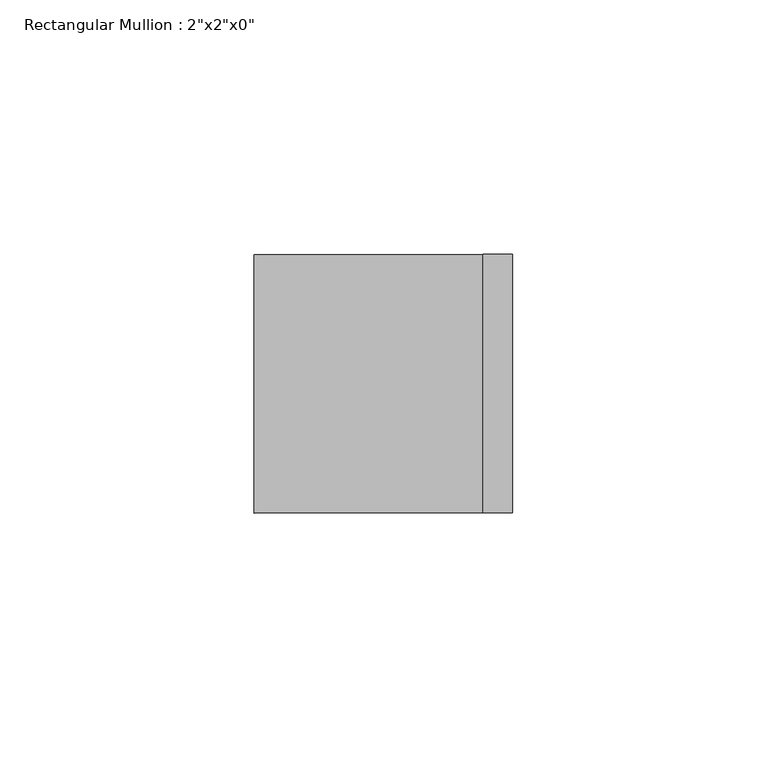
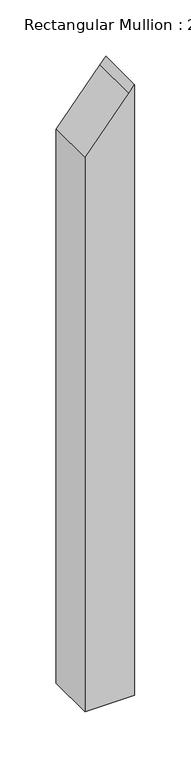
"""IFC4 building model written with IfcOpenShell, lengths in millimetres: member geometry."""

from ifc_helpers import new_model, si_unit, frame, origin, place, context, project, spatial, polyline, outline, extrude, source, transform, mapped, element, save


def member_02452ec0(model_context):
    return source(origin(), model_context, "Body", "SweptSolid", [
        extrude(outline(polyline([(-9.185186, 25.4), (-16.2458946, 19.5251353), (-70.2391876, -25.4), (-668.5271576, -25.4), (-668.5271576, 25.4), (-9.185186, 25.4)])), frame((0.0, -25.4, 0.0), z_axis=(0.0, 1.0, 0.0), x_axis=(0.0, 0.0, 1.0)), (0.0, 0.0, 1.0), 50.8),
    ])


if __name__ == "__main__":
    model = new_model("IFC4")
    model_context = context("Model", 3, world=origin())
    ifc_project = project(units=[si_unit("LENGTHUNIT", "METRE", prefix="MILLI")], contexts=[model_context])
    site = spatial("IfcSite", under=ifc_project)
    building = spatial("IfcBuilding", under=site)
    placement = place(None, origin())
    member_shape = member_02452ec0(model_context)
    element("IfcMember", 1, ObjectType="Rectangular Mullion : 2\"x2\"x0\"", at=placement, inside=building, context=model_context, shape_type="MappedRepresentation", body=[
        mapped(member_shape, transform((0.0, 0.0, 0.0), x_axis=(1.0, 0.0, 0.0), y_axis=(0.0, 1.0, 0.0), z_axis=(0.0, 0.0, 1.0))),
    ])
    save(model, "model.ifc")
